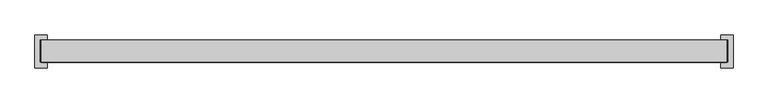
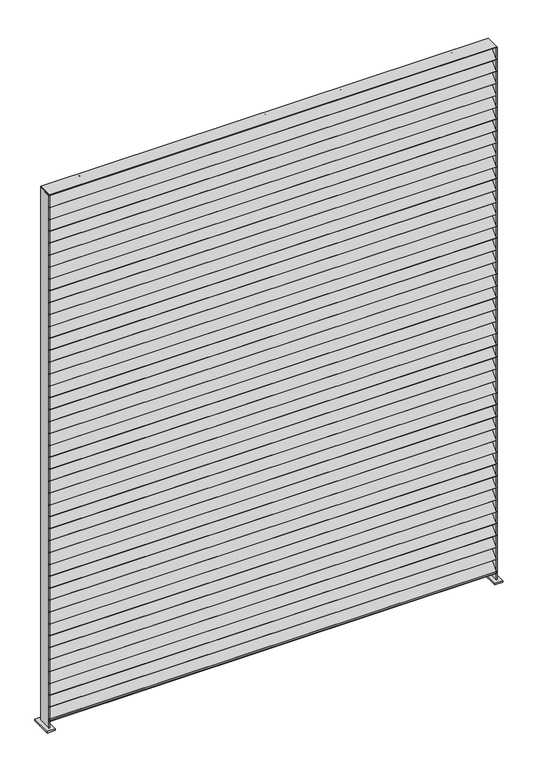
"""IFC4 building model written with IfcOpenShell, lengths in millimetres: railing geometry."""

from ifc_helpers import new_model, si_unit, point, frame, frame_2d, origin, place, context, project, spatial, polyline, circle_curve, trimmed, segment, composite_curve, outline, extrude, source, transform, mapped, element, save


def railing_fa96a40e(model_context):
    return source(origin(), model_context, "Body", "SweptSolid", [
        extrude(outline(polyline([(-21151.4109548, -9966.6028092), (-21151.4109548, -9915.8028092), (-19570.2609548, -9915.8028092), (-19570.2609548, -9966.6028092), (-21151.4109548, -9966.6028092)])), frame((0.0, 0.0, 7650.23108), z_axis=(0.0, 0.0, 1.0), x_axis=(1.0, 0.0, 0.0)), (0.0, 0.0, 1.0), 3.03784),
        extrude(outline(polyline([(0.0, -2.032), (0.0, 0.0), (1581.15, 0.0), (1581.15, -2.032), (0.0, -2.032)])), frame((-21151.4109548, -9964.4238337, 7657.2546345), z_axis=(0.0, 0.7071067811865459, 0.7071067811865492), x_axis=(1.0, 0.0, 0.0)), (0.0, 0.0, 1.0), 50.8),
        extrude(outline(polyline([(0.0, -2.032), (0.0, 0.0), (1581.15, 0.0), (1581.15, -2.032), (0.0, -2.032)])), frame((-21151.4109548, -9964.4238337, 7701.7046345), z_axis=(0.0, 0.7071067811865459, 0.7071067811865492), x_axis=(1.0, 0.0, 0.0)), (0.0, 0.0, 1.0), 50.8),
        extrude(outline(polyline([(0.0, -2.032), (0.0, 0.0), (1581.15, 0.0), (1581.15, -2.032), (0.0, -2.032)])), frame((-21151.4109548, -9964.4238337, 7746.1546345), z_axis=(0.0, 0.7071067811865459, 0.7071067811865492), x_axis=(1.0, 0.0, 0.0)), (0.0, 0.0, 1.0), 50.8),
        extrude(outline(polyline([(0.0, -2.032), (0.0, 0.0), (1581.15, 0.0), (1581.15, -2.032), (0.0, -2.032)])), frame((-21151.4109548, -9964.4238337, 7790.6046345), z_axis=(0.0, 0.7071067811865459, 0.7071067811865492), x_axis=(1.0, 0.0, 0.0)), (0.0, 0.0, 1.0), 50.8),
        extrude(outline(polyline([(0.0, -2.032), (0.0, 0.0), (1581.15, 0.0), (1581.15, -2.032), (0.0, -2.032)])), frame((-21151.4109548, -9964.4238337, 7835.0546345), z_axis=(0.0, 0.7071067811865459, 0.7071067811865492), x_axis=(1.0, 0.0, 0.0)), (0.0, 0.0, 1.0), 50.8),
        extrude(outline(polyline([(0.0, -2.032), (0.0, 0.0), (1581.15, 0.0), (1581.15, -2.032), (0.0, -2.032)])), frame((-21151.4109548, -9964.4238337, 7879.5046345), z_axis=(0.0, 0.7071067811865459, 0.7071067811865492), x_axis=(1.0, 0.0, 0.0)), (0.0, 0.0, 1.0), 50.8),
        extrude(outline(polyline([(0.0, -2.032), (0.0, 0.0), (1581.15, 0.0), (1581.15, -2.032), (0.0, -2.032)])), frame((-21151.4109548, -9964.4238337, 7923.9546345), z_axis=(0.0, 0.7071067811865459, 0.7071067811865492), x_axis=(1.0, 0.0, 0.0)), (0.0, 0.0, 1.0), 50.8),
        extrude(outline(polyline([(0.0, -2.032), (0.0, 0.0), (1581.15, 0.0), (1581.15, -2.032), (0.0, -2.032)])), frame((-21151.4109548, -9964.4238337, 7968.4046345), z_axis=(0.0, 0.7071067811865459, 0.7071067811865492), x_axis=(1.0, 0.0, 0.0)), (0.0, 0.0, 1.0), 50.8),
        extrude(outline(polyline([(0.0, -2.032), (0.0, 0.0), (1581.15, 0.0), (1581.15, -2.032), (0.0, -2.032)])), frame((-21151.4109548, -9964.4238337, 8012.8546345), z_axis=(0.0, 0.7071067811865459, 0.7071067811865492), x_axis=(1.0, 0.0, 0.0)), (0.0, 0.0, 1.0), 50.8),
        extrude(outline(polyline([(0.0, -2.032), (0.0, 0.0), (1581.15, 0.0), (1581.15, -2.032), (0.0, -2.032)])), frame((-21151.4109548, -9964.4238337, 8057.3046345), z_axis=(0.0, 0.7071067811865459, 0.7071067811865492), x_axis=(1.0, 0.0, 0.0)), (0.0, 0.0, 1.0), 50.8),
        extrude(outline(polyline([(0.0, -2.032), (0.0, 0.0), (1581.15, 0.0), (1581.15, -2.032), (0.0, -2.032)])), frame((-21151.4109548, -9964.4238337, 8101.7546345), z_axis=(0.0, 0.7071067811865459, 0.7071067811865492), x_axis=(1.0, 0.0, 0.0)), (0.0, 0.0, 1.0), 50.8),
        extrude(outline(polyline([(0.0, -2.032), (0.0, 0.0), (1581.15, 0.0), (1581.15, -2.032), (0.0, -2.032)])), frame((-21151.4109548, -9964.4238337, 8146.2046345), z_axis=(0.0, 0.7071067811865459, 0.7071067811865492), x_axis=(1.0, 0.0, 0.0)), (0.0, 0.0, 1.0), 50.8),
        extrude(outline(polyline([(0.0, -2.032), (0.0, 0.0), (1581.15, 0.0), (1581.15, -2.032), (0.0, -2.032)])), frame((-21151.4109548, -9964.4238337, 8190.6546345), z_axis=(0.0, 0.7071067811865459, 0.7071067811865492), x_axis=(1.0, 0.0, 0.0)), (0.0, 0.0, 1.0), 50.8),
        extrude(outline(polyline([(0.0, -2.032), (0.0, 0.0), (1581.15, 0.0), (1581.15, -2.032), (0.0, -2.032)])), frame((-21151.4109548, -9964.4238337, 8235.1046345), z_axis=(0.0, 0.7071067811865459, 0.7071067811865492), x_axis=(1.0, 0.0, 0.0)), (0.0, 0.0, 1.0), 50.8),
        extrude(outline(polyline([(0.0, -2.032), (0.0, 0.0), (1581.15, 0.0), (1581.15, -2.032), (0.0, -2.032)])), frame((-21151.4109548, -9964.4238337, 8279.5546345), z_axis=(0.0, 0.7071067811865459, 0.7071067811865492), x_axis=(1.0, 0.0, 0.0)), (0.0, 0.0, 1.0), 50.8),
        extrude(outline(polyline([(0.0, -2.032), (0.0, 0.0), (1581.15, 0.0), (1581.15, -2.032), (0.0, -2.032)])), frame((-21151.4109548, -9964.4238337, 8324.0046345), z_axis=(0.0, 0.7071067811865459, 0.7071067811865492), x_axis=(1.0, 0.0, 0.0)), (0.0, 0.0, 1.0), 50.8),
        extrude(outline(polyline([(0.0, -2.032), (0.0, 0.0), (1581.15, 0.0), (1581.15, -2.032), (0.0, -2.032)])), frame((-21151.4109548, -9964.4238337, 8368.4546345), z_axis=(0.0, 0.7071067811865459, 0.7071067811865492), x_axis=(1.0, 0.0, 0.0)), (0.0, 0.0, 1.0), 50.8),
        extrude(outline(polyline([(0.0, -2.032), (0.0, 0.0), (1581.15, 0.0), (1581.15, -2.032), (0.0, -2.032)])), frame((-21151.4109548, -9964.4238337, 8412.9046345), z_axis=(0.0, 0.7071067811865459, 0.7071067811865492), x_axis=(1.0, 0.0, 0.0)), (0.0, 0.0, 1.0), 50.8),
        extrude(outline(polyline([(0.0, -2.032), (0.0, 0.0), (1581.15, 0.0), (1581.15, -2.032), (0.0, -2.032)])), frame((-21151.4109548, -9964.4238337, 8457.3546345), z_axis=(0.0, 0.7071067811865459, 0.7071067811865492), x_axis=(1.0, 0.0, 0.0)), (0.0, 0.0, 1.0), 50.8),
        extrude(outline(polyline([(0.0, -2.032), (0.0, 0.0), (1581.15, 0.0), (1581.15, -2.032), (0.0, -2.032)])), frame((-21151.4109548, -9964.4238337, 8501.8046345), z_axis=(0.0, 0.7071067811865459, 0.7071067811865492), x_axis=(1.0, 0.0, 0.0)), (0.0, 0.0, 1.0), 50.8),
        extrude(outline(polyline([(0.0, -2.032), (0.0, 0.0), (1581.15, 0.0), (1581.15, -2.032), (0.0, -2.032)])), frame((-21151.4109548, -9964.4238337, 8546.2546345), z_axis=(0.0, 0.7071067811865459, 0.7071067811865492), x_axis=(1.0, 0.0, 0.0)), (0.0, 0.0, 1.0), 50.8),
        extrude(outline(polyline([(0.0, -2.032), (0.0, 0.0), (1581.15, 0.0), (1581.15, -2.032), (0.0, -2.032)])), frame((-21151.4109548, -9964.4238337, 8590.7046345), z_axis=(0.0, 0.7071067811865459, 0.7071067811865492), x_axis=(1.0, 0.0, 0.0)), (0.0, 0.0, 1.0), 50.8),
        extrude(outline(polyline([(0.0, -2.032), (0.0, 0.0), (1581.15, 0.0), (1581.15, -2.032), (0.0, -2.032)])), frame((-21151.4109548, -9964.4238337, 8635.1546345), z_axis=(0.0, 0.7071067811865459, 0.7071067811865492), x_axis=(1.0, 0.0, 0.0)), (0.0, 0.0, 1.0), 50.8),
        extrude(outline(polyline([(0.0, -2.032), (0.0, 0.0), (1581.15, 0.0), (1581.15, -2.032), (0.0, -2.032)])), frame((-21151.4109548, -9964.4238337, 8679.6046345), z_axis=(0.0, 0.7071067811865459, 0.7071067811865492), x_axis=(1.0, 0.0, 0.0)), (0.0, 0.0, 1.0), 50.8),
        extrude(outline(polyline([(0.0, -2.032), (0.0, 0.0), (1581.15, 0.0), (1581.15, -2.032), (0.0, -2.032)])), frame((-21151.4109548, -9964.4238337, 8724.0546345), z_axis=(0.0, 0.7071067811865459, 0.7071067811865492), x_axis=(1.0, 0.0, 0.0)), (0.0, 0.0, 1.0), 50.8),
        extrude(outline(polyline([(0.0, -2.032), (0.0, 0.0), (1581.15, 0.0), (1581.15, -2.032), (0.0, -2.032)])), frame((-21151.4109548, -9964.4238337, 8768.5046345), z_axis=(0.0, 0.7071067811865459, 0.7071067811865492), x_axis=(1.0, 0.0, 0.0)), (0.0, 0.0, 1.0), 50.8),
        extrude(outline(polyline([(0.0, -2.032), (0.0, 0.0), (1581.15, 0.0), (1581.15, -2.032), (0.0, -2.032)])), frame((-21151.4109548, -9964.4238337, 8812.9546345), z_axis=(0.0, 0.7071067811865459, 0.7071067811865492), x_axis=(1.0, 0.0, 0.0)), (0.0, 0.0, 1.0), 50.8),
        extrude(outline(polyline([(0.0, -2.032), (0.0, 0.0), (1581.15, 0.0), (1581.15, -2.032), (0.0, -2.032)])), frame((-21151.4109548, -9964.4238337, 8857.4046345), z_axis=(0.0, 0.7071067811865459, 0.7071067811865492), x_axis=(1.0, 0.0, 0.0)), (0.0, 0.0, 1.0), 50.8),
        extrude(outline(polyline([(0.0, -2.032), (0.0, 0.0), (1581.15, 0.0), (1581.15, -2.032), (0.0, -2.032)])), frame((-21151.4109548, -9964.4238337, 8901.8546345), z_axis=(0.0, 0.7071067811865459, 0.7071067811865492), x_axis=(1.0, 0.0, 0.0)), (0.0, 0.0, 1.0), 50.8),
        extrude(outline(polyline([(0.0, -2.032), (0.0, 0.0), (1581.15, 0.0), (1581.15, -2.032), (0.0, -2.032)])), frame((-21151.4109548, -9964.4238337, 8946.3046345), z_axis=(0.0, 0.7071067811865459, 0.7071067811865492), x_axis=(1.0, 0.0, 0.0)), (0.0, 0.0, 1.0), 50.8),
        extrude(outline(polyline([(0.0, -2.032), (0.0, 0.0), (1581.15, 0.0), (1581.15, -2.032), (0.0, -2.032)])), frame((-21151.4109548, -9964.4238337, 8990.7546345), z_axis=(0.0, 0.7071067811865459, 0.7071067811865492), x_axis=(1.0, 0.0, 0.0)), (0.0, 0.0, 1.0), 50.8),
        extrude(outline(polyline([(0.0, -2.032), (0.0, 0.0), (1581.15, 0.0), (1581.15, -2.032), (0.0, -2.032)])), frame((-21151.4109548, -9964.4238337, 9035.2046345), z_axis=(0.0, 0.7071067811865459, 0.7071067811865492), x_axis=(1.0, 0.0, 0.0)), (0.0, 0.0, 1.0), 50.8),
        extrude(outline(polyline([(0.0, -2.032), (0.0, 0.0), (1581.15, 0.0), (1581.15, -2.032), (0.0, -2.032)])), frame((-21151.4109548, -9964.4238337, 9079.6546345), z_axis=(0.0, 0.7071067811865459, 0.7071067811865492), x_axis=(1.0, 0.0, 0.0)), (0.0, 0.0, 1.0), 50.8),
        extrude(outline(polyline([(0.0, -2.032), (0.0, 0.0), (1581.15, 0.0), (1581.15, -2.032), (0.0, -2.032)])), frame((-21151.4109548, -9964.4238337, 9124.1046345), z_axis=(0.0, 0.7071067811865459, 0.7071067811865492), x_axis=(1.0, 0.0, 0.0)), (0.0, 0.0, 1.0), 50.8),
        extrude(outline(polyline([(0.0, -2.032), (0.0, 0.0), (1581.15, 0.0), (1581.15, -2.032), (0.0, -2.032)])), frame((-21151.4109548, -9964.4238337, 9168.5546345), z_axis=(0.0, 0.7071067811865459, 0.7071067811865492), x_axis=(1.0, 0.0, 0.0)), (0.0, 0.0, 1.0), 50.8),
        extrude(outline(polyline([(0.0, -2.032), (0.0, 0.0), (1581.15, 0.0), (1581.15, -2.032), (0.0, -2.032)])), frame((-21151.4109548, -9964.4238337, 9213.0046345), z_axis=(0.0, 0.7071067811865459, 0.7071067811865492), x_axis=(1.0, 0.0, 0.0)), (0.0, 0.0, 1.0), 50.8),
        extrude(outline(polyline([(0.0, -2.032), (0.0, 0.0), (1581.15, 0.0), (1581.15, -2.032), (0.0, -2.032)])), frame((-21151.4109548, -9964.4238337, 9257.4546345), z_axis=(0.0, 0.7071067811865459, 0.7071067811865492), x_axis=(1.0, 0.0, 0.0)), (0.0, 0.0, 1.0), 50.8),
        extrude(outline(polyline([(0.0, -2.032), (0.0, 0.0), (1581.15, 0.0), (1581.15, -2.032), (0.0, -2.032)])), frame((-21151.4109548, -9964.4238337, 9301.9046345), z_axis=(0.0, 0.7071067811865459, 0.7071067811865492), x_axis=(1.0, 0.0, 0.0)), (0.0, 0.0, 1.0), 50.8),
        extrude(outline(polyline([(0.0, -2.032), (0.0, 0.0), (1581.15, 0.0), (1581.15, -2.032), (0.0, -2.032)])), frame((-21151.4109548, -9964.4238337, 9346.3546345), z_axis=(0.0, 0.7071067811865459, 0.7071067811865492), x_axis=(1.0, 0.0, 0.0)), (0.0, 0.0, 1.0), 50.8),
        extrude(outline(polyline([(0.0, -2.032), (0.0, 0.0), (1581.15, 0.0), (1581.15, -2.032), (0.0, -2.032)])), frame((-21151.4109548, -9964.4238337, 9390.8046345), z_axis=(0.0, 0.7071067811865459, 0.7071067811865492), x_axis=(1.0, 0.0, 0.0)), (0.0, 0.0, 1.0), 50.8),
        extrude(outline(polyline([(0.0, -2.032), (0.0, 0.0), (1581.15, 0.0), (1581.15, -2.032), (0.0, -2.032)])), frame((-21151.4109548, -9964.4238337, 9435.2546345), z_axis=(0.0, 0.7071067811865459, 0.7071067811865492), x_axis=(1.0, 0.0, 0.0)), (0.0, 0.0, 1.0), 50.8),
        extrude(outline(polyline([(0.0, -2.032), (0.0, 0.0), (1581.15, 0.0), (1581.15, -2.032), (0.0, -2.032)])), frame((-21151.4109548, -9964.4238337, 9479.7046345), z_axis=(0.0, 0.7071067811865459, 0.7071067811865492), x_axis=(1.0, 0.0, 0.0)), (0.0, 0.0, 1.0), 50.8),
        extrude(outline(polyline([(0.0, -2.032), (0.0, 0.0), (1581.15, 0.0), (1581.15, -2.032), (0.0, -2.032)])), frame((-21151.4109548, -9964.4238337, 9524.1546345), z_axis=(0.0, 0.7071067811865459, 0.7071067811865492), x_axis=(1.0, 0.0, 0.0)), (0.0, 0.0, 1.0), 50.8),
        extrude(outline(polyline([(0.0, -2.032), (0.0, 0.0), (1581.15, 0.0), (1581.15, -2.032), (0.0, -2.032)])), frame((-21151.4109548, -9964.4238337, 9568.6046345), z_axis=(0.0, 0.7071067811865459, 0.7071067811865492), x_axis=(1.0, 0.0, 0.0)), (0.0, 0.0, 1.0), 50.8),
        extrude(outline(polyline([(-21151.4109548, -9966.6028092), (-21151.4109548, -9915.8028092), (-19570.2609548, -9915.8028092), (-19570.2609548, -9966.6028092), (-21151.4109548, -9966.6028092)])), frame((0.0, 0.0, 9615.55608), z_axis=(0.0, 0.0, 1.0), x_axis=(1.0, 0.0, 0.0)), (0.0, 0.0, 1.0), 3.03784),
        extrude(outline(composite_curve([segment(trimmed(circle_curve(frame_2d((-19702.0234548, -9922.1528092)), 2.0828), [point((-19702.0234548, -9924.2356092))], [point((-19702.0234548, -9920.0700092))], False, "CARTESIAN"), True, "CONTINUOUS"), segment(trimmed(circle_curve(frame_2d((-19702.0234548, -9922.1528092)), 2.0828), [point((-19702.0234548, -9920.0700092))], [point((-19702.0234548, -9924.2356092))], False, "CARTESIAN"), True, "CONTINUOUS")], self_intersect=False)), frame((0.0, 0.0, 7650.1625), z_axis=(0.0, 0.0, 1.0), x_axis=(1.0, 0.0, 0.0)), (0.0, 0.0, 1.0), 1965.39358),
        extrude(outline(composite_curve([segment(trimmed(circle_curve(frame_2d((-19833.7859548, -9922.1528092)), 2.0828), [point((-19833.7859548, -9924.2356092))], [point((-19833.7859548, -9920.0700092))], False, "CARTESIAN"), True, "CONTINUOUS"), segment(trimmed(circle_curve(frame_2d((-19833.7859548, -9922.1528092)), 2.0828), [point((-19833.7859548, -9920.0700092))], [point((-19833.7859548, -9924.2356092))], False, "CARTESIAN"), True, "CONTINUOUS")], self_intersect=False)), frame((0.0, 0.0, 7650.1625), z_axis=(0.0, 0.0, 1.0), x_axis=(1.0, 0.0, 0.0)), (0.0, 0.0, 1.0), 1965.39358),
        extrude(outline(composite_curve([segment(trimmed(circle_curve(frame_2d((-19965.5484548, -9922.1528092)), 2.0828), [point((-19965.5484548, -9924.2356092))], [point((-19965.5484548, -9920.0700092))], False, "CARTESIAN"), True, "CONTINUOUS"), segment(trimmed(circle_curve(frame_2d((-19965.5484548, -9922.1528092)), 2.0828), [point((-19965.5484548, -9920.0700092))], [point((-19965.5484548, -9924.2356092))], False, "CARTESIAN"), True, "CONTINUOUS")], self_intersect=False)), frame((0.0, 0.0, 7650.1625), z_axis=(0.0, 0.0, 1.0), x_axis=(1.0, 0.0, 0.0)), (0.0, 0.0, 1.0), 1965.39358),
        extrude(outline(composite_curve([segment(trimmed(circle_curve(frame_2d((-20097.3109548, -9922.1528092)), 2.0828), [point((-20097.3109548, -9924.2356092))], [point((-20097.3109548, -9920.0700092))], False, "CARTESIAN"), True, "CONTINUOUS"), segment(trimmed(circle_curve(frame_2d((-20097.3109548, -9922.1528092)), 2.0828), [point((-20097.3109548, -9920.0700092))], [point((-20097.3109548, -9924.2356092))], False, "CARTESIAN"), True, "CONTINUOUS")], self_intersect=False)), frame((0.0, 0.0, 7650.1625), z_axis=(0.0, 0.0, 1.0), x_axis=(1.0, 0.0, 0.0)), (0.0, 0.0, 1.0), 1965.39358),
        extrude(outline(composite_curve([segment(trimmed(circle_curve(frame_2d((-20229.0734548, -9922.1528092)), 2.0828), [point((-20229.0734548, -9924.2356092))], [point((-20229.0734548, -9920.0700092))], False, "CARTESIAN"), True, "CONTINUOUS"), segment(trimmed(circle_curve(frame_2d((-20229.0734548, -9922.1528092)), 2.0828), [point((-20229.0734548, -9920.0700092))], [point((-20229.0734548, -9924.2356092))], False, "CARTESIAN"), True, "CONTINUOUS")], self_intersect=False)), frame((0.0, 0.0, 7650.1625), z_axis=(0.0, 0.0, 1.0), x_axis=(1.0, 0.0, 0.0)), (0.0, 0.0, 1.0), 1965.39358),
        extrude(outline(composite_curve([segment(trimmed(circle_curve(frame_2d((-20360.8359548, -9922.1528092)), 2.0828), [point((-20360.8359548, -9924.2356092))], [point((-20360.8359548, -9920.0700092))], False, "CARTESIAN"), True, "CONTINUOUS"), segment(trimmed(circle_curve(frame_2d((-20360.8359548, -9922.1528092)), 2.0828), [point((-20360.8359548, -9920.0700092))], [point((-20360.8359548, -9924.2356092))], False, "CARTESIAN"), True, "CONTINUOUS")], self_intersect=False)), frame((0.0, 0.0, 7650.1625), z_axis=(0.0, 0.0, 1.0), x_axis=(1.0, 0.0, 0.0)), (0.0, 0.0, 1.0), 1965.39358),
        extrude(outline(composite_curve([segment(trimmed(circle_curve(frame_2d((-20492.5984548, -9922.1528092)), 2.0828), [point((-20492.5984548, -9924.2356092))], [point((-20492.5984548, -9920.0700092))], False, "CARTESIAN"), True, "CONTINUOUS"), segment(trimmed(circle_curve(frame_2d((-20492.5984548, -9922.1528092)), 2.0828), [point((-20492.5984548, -9920.0700092))], [point((-20492.5984548, -9924.2356092))], False, "CARTESIAN"), True, "CONTINUOUS")], self_intersect=False)), frame((0.0, 0.0, 7650.1625), z_axis=(0.0, 0.0, 1.0), x_axis=(1.0, 0.0, 0.0)), (0.0, 0.0, 1.0), 1965.39358),
        extrude(outline(composite_curve([segment(trimmed(circle_curve(frame_2d((-20624.3609548, -9922.1528092)), 2.0828), [point((-20624.3609548, -9924.2356092))], [point((-20624.3609548, -9920.0700092))], False, "CARTESIAN"), True, "CONTINUOUS"), segment(trimmed(circle_curve(frame_2d((-20624.3609548, -9922.1528092)), 2.0828), [point((-20624.3609548, -9920.0700092))], [point((-20624.3609548, -9924.2356092))], False, "CARTESIAN"), True, "CONTINUOUS")], self_intersect=False)), frame((0.0, 0.0, 7650.1625), z_axis=(0.0, 0.0, 1.0), x_axis=(1.0, 0.0, 0.0)), (0.0, 0.0, 1.0), 1965.39358),
        extrude(outline(composite_curve([segment(trimmed(circle_curve(frame_2d((-20756.1234548, -9922.1528092)), 2.0828), [point((-20756.1234548, -9924.2356092))], [point((-20756.1234548, -9920.0700092))], False, "CARTESIAN"), True, "CONTINUOUS"), segment(trimmed(circle_curve(frame_2d((-20756.1234548, -9922.1528092)), 2.0828), [point((-20756.1234548, -9920.0700092))], [point((-20756.1234548, -9924.2356092))], False, "CARTESIAN"), True, "CONTINUOUS")], self_intersect=False)), frame((0.0, 0.0, 7650.1625), z_axis=(0.0, 0.0, 1.0), x_axis=(1.0, 0.0, 0.0)), (0.0, 0.0, 1.0), 1965.39358),
        extrude(outline(composite_curve([segment(trimmed(circle_curve(frame_2d((-20887.8859548, -9922.1528092)), 2.0828), [point((-20887.8859548, -9924.2356092))], [point((-20887.8859548, -9920.0700092))], False, "CARTESIAN"), True, "CONTINUOUS"), segment(trimmed(circle_curve(frame_2d((-20887.8859548, -9922.1528092)), 2.0828), [point((-20887.8859548, -9920.0700092))], [point((-20887.8859548, -9924.2356092))], False, "CARTESIAN"), True, "CONTINUOUS")], self_intersect=False)), frame((0.0, 0.0, 7650.1625), z_axis=(0.0, 0.0, 1.0), x_axis=(1.0, 0.0, 0.0)), (0.0, 0.0, 1.0), 1965.39358),
        extrude(outline(composite_curve([segment(trimmed(circle_curve(frame_2d((-21019.6484548, -9922.1528092)), 2.0828), [point((-21019.6484548, -9924.2356092))], [point((-21019.6484548, -9920.0700092))], False, "CARTESIAN"), True, "CONTINUOUS"), segment(trimmed(circle_curve(frame_2d((-21019.6484548, -9922.1528092)), 2.0828), [point((-21019.6484548, -9920.0700092))], [point((-21019.6484548, -9924.2356092))], False, "CARTESIAN"), True, "CONTINUOUS")], self_intersect=False)), frame((0.0, 0.0, 7650.1625), z_axis=(0.0, 0.0, 1.0), x_axis=(1.0, 0.0, 0.0)), (0.0, 0.0, 1.0), 1965.39358),
        extrude(outline(polyline([(-19571.6427148, -9915.8028092), (-19568.6048748, -9915.8028092), (-19568.6048748, -9966.6028092), (-19571.6427148, -9966.6028092), (-19571.6427148, -9915.8028092)])), frame((0.0, 0.0, 7620.0), z_axis=(0.0, 0.0, 1.0), x_axis=(1.0, 0.0, 0.0)), (0.0, 0.0, 1.0), 1995.55608),
        extrude(outline(polyline([(-19584.3427148, -9903.1028092), (-19555.9048748, -9903.1028092), (-19555.9048748, -9979.3028092), (-19584.3427148, -9979.3028092), (-19584.3427148, -9903.1028092)])), frame((0.0, 0.0, 7620.0), z_axis=(0.0, 0.0, 1.0), x_axis=(1.0, 0.0, 0.0)), (0.0, 0.0, 1.0), 6.35),
        extrude(outline(polyline([(-21152.7927148, -9915.8028092), (-21149.7548748, -9915.8028092), (-21149.7548748, -9966.6028092), (-21152.7927148, -9966.6028092), (-21152.7927148, -9915.8028092)])), frame((0.0, 0.0, 7620.0), z_axis=(0.0, 0.0, 1.0), x_axis=(1.0, 0.0, 0.0)), (0.0, 0.0, 1.0), 1995.55608),
        extrude(outline(polyline([(-21165.4927148, -9903.1028092), (-21137.0548748, -9903.1028092), (-21137.0548748, -9979.3028092), (-21165.4927148, -9979.3028092), (-21165.4927148, -9903.1028092)])), frame((0.0, 0.0, 7620.0), z_axis=(0.0, 0.0, 1.0), x_axis=(1.0, 0.0, 0.0)), (0.0, 0.0, 1.0), 6.35),
    ])


if __name__ == "__main__":
    model = new_model("IFC4")
    model_context = context("Model", 3, world=origin())
    ifc_project = project(units=[si_unit("LENGTHUNIT", "METRE", prefix="MILLI")], contexts=[model_context])
    site = spatial("IfcSite", under=ifc_project)
    building = spatial("IfcBuilding", under=site)
    placement = place(None, origin())
    railing_shape = railing_fa96a40e(model_context)
    element("IfcRailing", 1, at=placement, inside=building, context=model_context, shape_type="MappedRepresentation", body=[
        mapped(railing_shape, transform((0.0, 0.0, 0.0), x_axis=(1.0, 0.0, 0.0), y_axis=(0.0, 1.0, 0.0), z_axis=(0.0, 0.0, 1.0))),
    ])
    save(model, "model.ifc")
